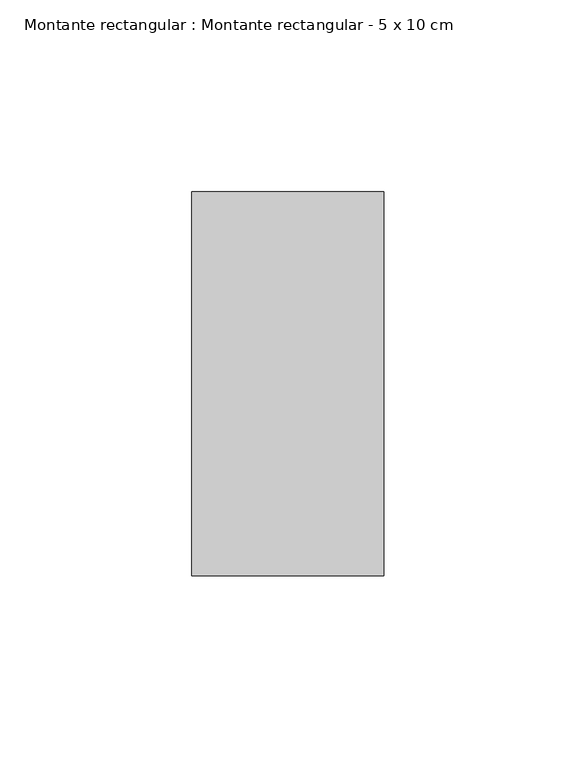
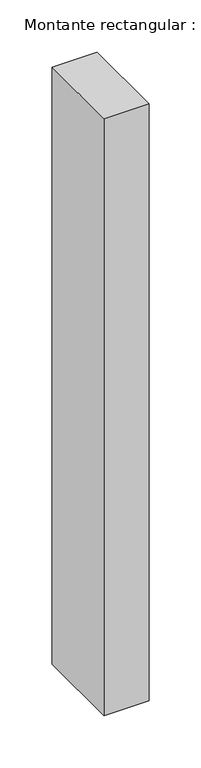
"""IFC4 building model written with IfcOpenShell, lengths in millimetres: member geometry, Montante rectangular : Montante rectangular - 5 x 10 cm."""

from ifc_helpers import new_model, si_unit, frame, origin, place, context, project, spatial, polyline, outline, extrude, source, transform, mapped, element, save


def montante_rectangular_montante_rectangular_5_x_10_cm_8c623952(model_context):
    return source(origin(), model_context, "Body", "SweptSolid", [
        extrude(outline(polyline([(-50.0, 50.0), (0.0, 50.0), (0.0, -50.0), (-50.0, -50.0), (-50.0, 50.0)])), frame((0.0, 0.0, -700.0), z_axis=(0.0, 0.0, 1.0), x_axis=(1.0, 0.0, 0.0)), (0.0, 0.0, 1.0), 700.0),
    ])


if __name__ == "__main__":
    model = new_model("IFC4")
    model_context = context("Model", 3, world=origin())
    ifc_project = project(units=[si_unit("LENGTHUNIT", "METRE", prefix="MILLI")], contexts=[model_context])
    site = spatial("IfcSite", under=ifc_project)
    building = spatial("IfcBuilding", under=site)
    placement = place(None, origin())
    montante_rectangular_montante_rectangular_5_x_10_cm_shape = montante_rectangular_montante_rectangular_5_x_10_cm_8c623952(model_context)
    element("IfcMember", 1, ObjectType="Montante rectangular : Montante rectangular - 5 x 10 cm", at=placement, inside=building, context=model_context, shape_type="MappedRepresentation", body=[
        mapped(montante_rectangular_montante_rectangular_5_x_10_cm_shape, transform((0.0, 0.0, 0.0), x_axis=(1.0, 0.0, 0.0), y_axis=(0.0, 1.0, 0.0), z_axis=(0.0, 0.0, 1.0))),
    ])
    save(model, "model.ifc")
